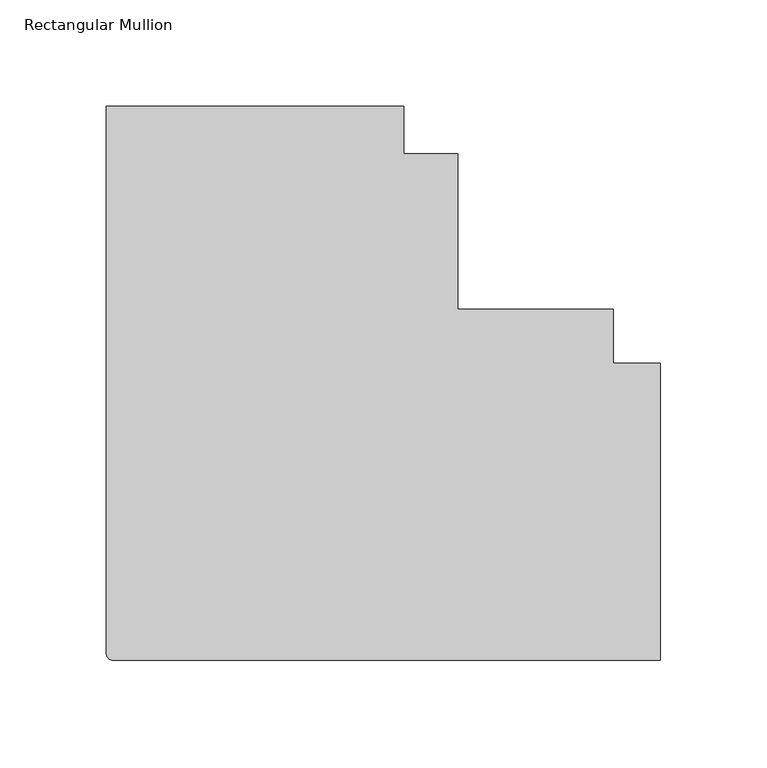
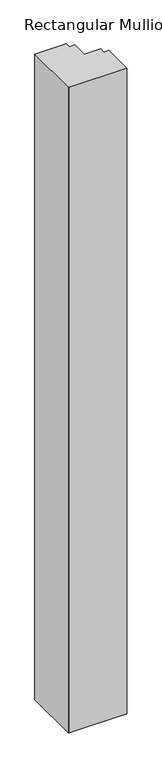
"""IFC4 building model written with IfcOpenShell, lengths in millimetres: member geometry, Rectangular Mullion."""

import ifcopenshell
import ifcopenshell.guid

model = None  # the IFC model being written
_history = None  # IfcOwnerHistory: only IFC2X3 demands one
_inside = {}  # id of a spatial element -> (the spatial element, [elements in it])
_under = {}  # id of a project, library or spatial element -> (it, [spatial elements below it])
_declared = {}  # id of a project -> (the project, [libraries it declares])
_typed = {}  # id of a type object -> (the type object, [elements of that type])
_made_of = {}  # id of a material, layer set ... -> (it, [elements and type objects made of it])


def new_model(schema):
    """Start an empty IFC model of exactly this schema.

    Asked for "IFC4X3", IfcOpenShell would pick the latest addendum, in which some entities
    have other attributes; the version numbers below select the first issue.
    IFC2X3 requires an IfcOwnerHistory on every rooted entity: one is made here for all.
    """
    global model, _history
    if schema == "IFC4X3":
        model = ifcopenshell.file(schema_version=(4, 3, 0, 0))
    else:
        model = ifcopenshell.file(schema=schema)
    _inside.clear()
    _under.clear()
    _declared.clear()
    _typed.clear()
    _made_of.clear()
    _history = None
    if model.schema == "IFC2X3":
        org = make("IfcOrganization", Name="unknown")
        user = make(
            "IfcPersonAndOrganization",
            ThePerson=make("IfcPerson", FamilyName="unknown"),
            TheOrganization=org,
        )
        app = make(
            "IfcApplication",
            ApplicationDeveloper=org,
            Version="unknown",
            ApplicationFullName="unknown",
            ApplicationIdentifier="unknown",
        )
        _history = make(
            "IfcOwnerHistory",
            OwningUser=user,
            OwningApplication=app,
            ChangeAction="ADDED",
            CreationDate=0,
        )
    return model


def make(cls, **values):
    """One entity of the class cls with the attributes given. An attribute that is None is left unset."""
    return model.create_entity(
        cls, **{name: value for name, value in values.items() if value is not None}
    )


def rooted(cls, **values):
    """An entity with a GlobalId (a new one), such as an element, a storey or a relation."""
    return make(cls, GlobalId=ifcopenshell.guid.new(), OwnerHistory=_history, **values)


def si_unit(unit_type, name, prefix=None):
    """IfcSIUnit, for example si_unit("LENGTHUNIT", "METRE", prefix="MILLI")."""
    return make("IfcSIUnit", UnitType=unit_type, Prefix=prefix, Name=name)


def assignment(units):
    """IfcUnitAssignment: the units of a project."""
    return None if units is None else make("IfcUnitAssignment", Units=units)


def point(xyz):
    """IfcCartesianPoint."""
    return None if xyz is None else make("IfcCartesianPoint", Coordinates=xyz)


def direction(xyz):
    """IfcDirection."""
    return None if xyz is None else make("IfcDirection", DirectionRatios=xyz)


def frame(location, z_axis=None, x_axis=None):
    """IfcAxis2Placement3D, a coordinate frame: its origin and axes. An axis left out is left unset."""
    return make(
        "IfcAxis2Placement3D",
        Location=point(location),
        Axis=direction(z_axis),
        RefDirection=direction(x_axis),
    )


def frame_2d(location, x_axis=None):
    """IfcAxis2Placement2D, a coordinate frame in the plane: its origin and x axis."""
    return make(
        "IfcAxis2Placement2D", Location=point(location), RefDirection=direction(x_axis)
    )


def origin():
    """The frame at (0, 0, 0) with its axes left unset."""
    return frame((0.0, 0.0, 0.0))


def place(relative_to, where):
    """IfcLocalPlacement: puts the frame where relative to a parent placement (None: the world)."""
    return make(
        "IfcLocalPlacement", PlacementRelTo=relative_to, RelativePlacement=where
    )


def context(
    kind, dimensions, precision=None, world=None, true_north=None, identifier=None
):
    """IfcGeometricRepresentationContext, for example the 3D "Model" context."""
    return make(
        "IfcGeometricRepresentationContext",
        ContextIdentifier=identifier,
        ContextType=kind,
        CoordinateSpaceDimension=dimensions,
        Precision=precision,
        WorldCoordinateSystem=world,
        TrueNorth=true_north,
    )


def project(units=None, contexts=None):
    """IfcProject with its units and contexts."""
    return rooted(
        "IfcProject",
        Name="project",
        RepresentationContexts=contexts,
        UnitsInContext=assignment(units),
    )


def spatial(cls, under=None, at=None, **own):
    """A site, building, storey or space (cls), placed at a placement, below another one or the project."""
    s = rooted(cls, ObjectPlacement=at, **own)
    if under is not None:
        _under.setdefault(under.id(), (under, []))[1].append(s)
    return s


def polyline(points):
    """IfcPolyline through the points."""
    return make("IfcPolyline", Points=[point(p) for p in points])


def circle_curve(where, radius):
    """IfcCircle in the frame where."""
    return make("IfcCircle", Position=where, Radius=radius)


def trimmed(basis, trim1, trim2, sense, master):
    """IfcTrimmedCurve: the piece of a basis curve between two trims."""
    return make(
        "IfcTrimmedCurve",
        BasisCurve=basis,
        Trim1=trim1,
        Trim2=trim2,
        SenseAgreement=sense,
        MasterRepresentation=master,
    )


def segment(curve, same_sense, transition):
    """IfcCompositeCurveSegment."""
    return make(
        "IfcCompositeCurveSegment",
        Transition=transition,
        SameSense=same_sense,
        ParentCurve=curve,
    )


def composite_curve(segments, self_intersect=None):
    """IfcCompositeCurve: segments joined end to end."""
    return make("IfcCompositeCurve", Segments=segments, SelfIntersect=self_intersect)


def outline(outer, holes=None, kind="AREA"):
    """IfcArbitraryClosedProfileDef: a profile drawn as a closed curve; with holes, ...WithVoids."""
    if holes is None:
        return make("IfcArbitraryClosedProfileDef", ProfileType=kind, OuterCurve=outer)
    return make(
        "IfcArbitraryProfileDefWithVoids",
        ProfileType=kind,
        OuterCurve=outer,
        InnerCurves=holes,
    )


def extrude(swept, where, along, depth):
    """IfcExtrudedAreaSolid: the profile swept, set in the frame where, extruded along a direction by depth."""
    return make(
        "IfcExtrudedAreaSolid",
        SweptArea=swept,
        Position=where,
        ExtrudedDirection=direction(along),
        Depth=depth,
    )


def shape(context_of_items, identifier, shape_type, items):
    """IfcShapeRepresentation: the items that make up one representation, for example the "Body"."""
    return make(
        "IfcShapeRepresentation",
        ContextOfItems=context_of_items,
        RepresentationIdentifier=identifier,
        RepresentationType=shape_type,
        Items=items,
    )


def source(mapping_origin, context_of_items, identifier, shape_type, items):
    """IfcRepresentationMap: a shape defined once, which mapped items show again and again."""
    return make(
        "IfcRepresentationMap",
        MappingOrigin=mapping_origin,
        MappedRepresentation=shape(context_of_items, identifier, shape_type, items),
    )


def transform(
    local_origin,
    x_axis=None,
    y_axis=None,
    z_axis=None,
    scale=None,
    scale2=None,
    scale3=None,
    uniform=True,
):
    """IfcCartesianTransformationOperator3D, or its non-uniform kind. x_axis, y_axis, z_axis: its Axis1, 2, 3."""
    if uniform:
        return make(
            "IfcCartesianTransformationOperator3D",
            Axis1=direction(x_axis),
            Axis2=direction(y_axis),
            LocalOrigin=point(local_origin),
            Scale=scale,
            Axis3=direction(z_axis),
        )
    return make(
        "IfcCartesianTransformationOperator3DnonUniform",
        Axis1=direction(x_axis),
        Axis2=direction(y_axis),
        LocalOrigin=point(local_origin),
        Scale=scale,
        Axis3=direction(z_axis),
        Scale2=scale2,
        Scale3=scale3,
    )


def mapped(mapping_source, mapping_target):
    """IfcMappedItem: shows the shape of a source again, moved by a transform."""
    return make(
        "IfcMappedItem", MappingSource=mapping_source, MappingTarget=mapping_target
    )


def made_of(thing, what):
    """Note that an element or type object is made of a material, layer set ...; save() writes the relation."""
    if what is not None:
        _made_of.setdefault(what.id(), (what, []))[1].append(thing)
    return thing


def element(
    cls,
    number,
    at=None,
    inside=None,
    cuts=None,
    type_object=None,
    material=None,
    context=None,
    identifier="Body",
    shape_type=None,
    held_by="IfcProductDefinitionShape",
    body=None,
    shapes=None,
    **own,
):
    """One element of the class cls, such as IfcWall. Its Tag is "e" and its number.

    at: its placement. inside: the storey or other place that contains it. cuts: it is an
    opening in that element (IfcRelVoidsElement). A single representation is given by context,
    identifier, shape_type and body (its items); several are given by shapes. held_by: the class
    of the entity that holds the representations. save() writes the other relations.
    """
    e = rooted(cls, Tag="e%d" % number, ObjectPlacement=at, **own)
    if body is not None:
        shapes = [shape(context, identifier, shape_type, body)]
    if shapes is not None:
        e.Representation = make(held_by, Representations=shapes)
    if inside is not None:
        _inside.setdefault(inside.id(), (inside, []))[1].append(e)
    if cuts is not None:
        rooted(
            "IfcRelVoidsElement", RelatingBuildingElement=cuts, RelatedOpeningElement=e
        )
    if type_object is not None:
        _typed.setdefault(type_object.id(), (type_object, []))[1].append(e)
    return made_of(e, material)


def aggregate(whole, parts):
    """IfcRelAggregates: a whole, such as a stair, and the parts it consists of."""
    return rooted("IfcRelAggregates", RelatingObject=whole, RelatedObjects=parts)


def save(model, path):
    """Write the relations noted so far, then the file.

    IfcRelAggregates (storeys below a building ...), IfcRelContainedInSpatialStructure (elements
    in a storey), IfcRelDefinesByType, IfcRelAssociatesMaterial and IfcRelDeclares: one each for
    every whole, place, type object, material and project.
    """
    for whole, parts in _under.values():
        aggregate(whole, parts)
    for where, things in _inside.values():
        rooted(
            "IfcRelContainedInSpatialStructure",
            RelatedElements=things,
            RelatingStructure=where,
        )
    for kind, things in _typed.values():
        rooted("IfcRelDefinesByType", RelatedObjects=things, RelatingType=kind)
    for what, things in _made_of.values():
        rooted("IfcRelAssociatesMaterial", RelatedObjects=things, RelatingMaterial=what)
    for by, libraries in _declared.values():
        rooted("IfcRelDeclares", RelatingContext=by, RelatedDefinitions=libraries)
    model.write(path)


def rectangular_mullion_15ce9dab(model_context):
    return source(origin(), model_context, "Body", "SweptSolid", [
        extrude(outline(composite_curve([segment(trimmed(circle_curve(frame_2d((-257.175, -99.3697366)), 3.175), [point((-257.175, -102.5447366))], [point((-260.35, -99.3697366))], False, "CARTESIAN"), True, "CONTINUOUS"), segment(polyline([(-260.35, -99.3697366), (-260.35, 157.8052634), (-120.6499944, 157.8052634), (-120.6499944, 135.5803767), (-95.25, 135.5803767), (-95.25, 62.5552635), (-22.2248868, 62.5552635), (-22.2248868, 37.155269), (0.0, 37.155269), (0.0, -102.5447366), (-257.175, -102.5447366)]), True, "CONTINUOUS")], self_intersect=False)), frame((0.0, 0.0, -3048.0), z_axis=(0.0, 0.0, 1.0), x_axis=(1.0, 0.0, 0.0)), (0.0, 0.0, 1.0), 3048.0),
    ])


if __name__ == "__main__":
    model = new_model("IFC4")
    model_context = context("Model", 3, world=origin())
    ifc_project = project(units=[si_unit("LENGTHUNIT", "METRE", prefix="MILLI")], contexts=[model_context])
    site = spatial("IfcSite", under=ifc_project)
    building = spatial("IfcBuilding", under=site)
    placement = place(None, origin())
    rectangular_mullion_shape = rectangular_mullion_15ce9dab(model_context)
    element("IfcMember", 1, ObjectType="Rectangular Mullion", at=placement, inside=building, context=model_context, shape_type="MappedRepresentation", body=[
        mapped(rectangular_mullion_shape, transform((0.0, 0.0, 0.0), x_axis=(1.0, 0.0, 0.0), y_axis=(0.0, 1.0, 0.0), z_axis=(0.0, 0.0, 1.0))),
    ])
    save(model, "model.ifc")
